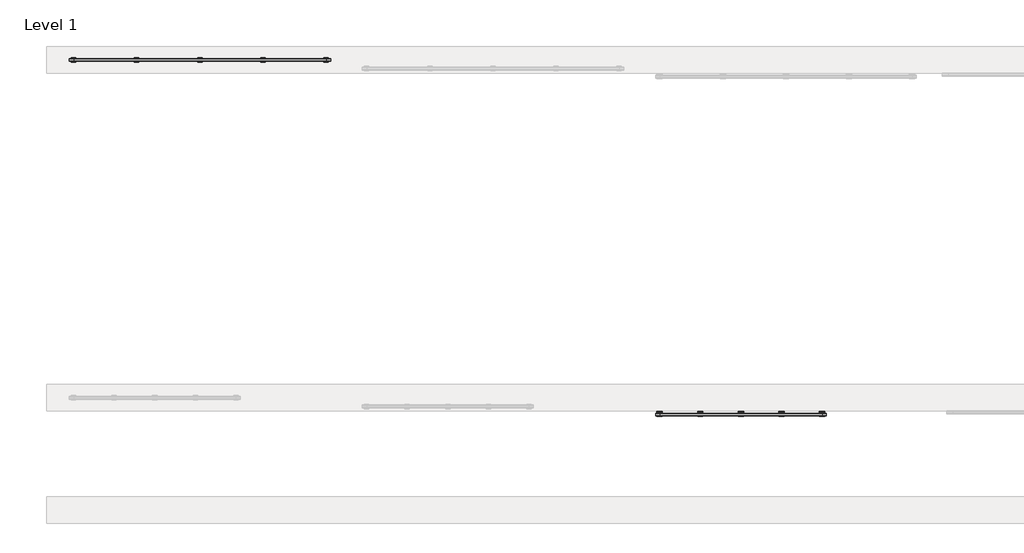
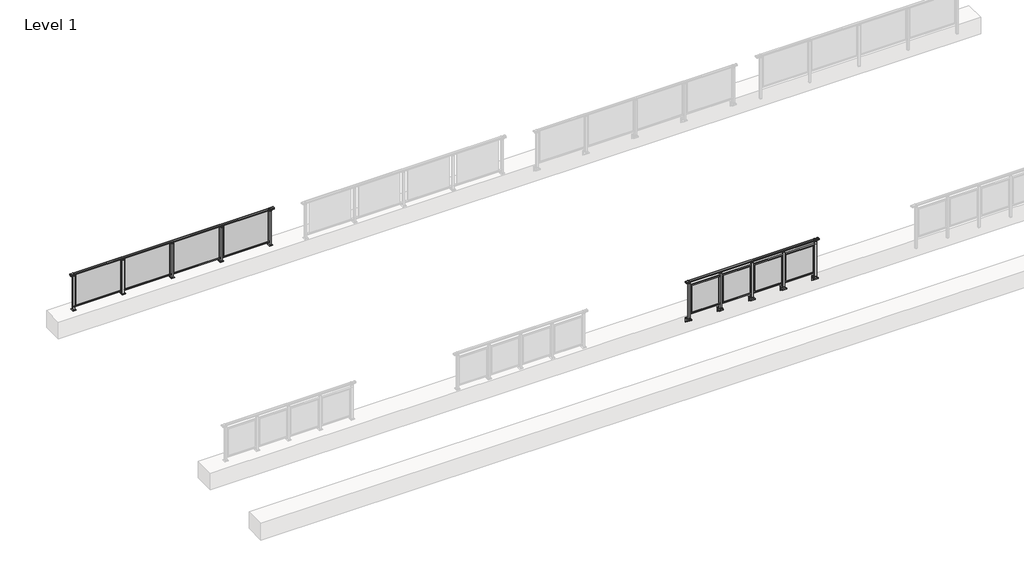
# One storey, part 41 of 64: 2 railings.
"""IFC4 building model written with IfcOpenShell, lengths in millimetres."""

from ifc_helpers import new_model, si_unit, point, frame, frame_2d, origin, origin_with_axes, place, context, project, spatial, polyline, circle_curve, trimmed, segment, composite_curve, outline, extrude, element, save
from ifc_brep_helpers import plane_surface, cylinder_surface, revolved_surface, advanced_brep

model = new_model("IFC4")

# Units and contexts
model_context = context("Model", 3, world=origin())
ifc_project = project(units=[si_unit("LENGTHUNIT", "METRE", prefix="MILLI")], contexts=[model_context])

# Site, building, storey
site = spatial("IfcSite", under=ifc_project)
building = spatial("IfcBuilding", under=site)
storey = spatial("IfcBuildingStorey", under=building, Name="Level 1", Elevation=0.0)

# Railings
placement = place(None, origin())
element("IfcRailing", 1, at=placement, inside=storey, context=model_context, shape_type="SolidModel", body=[
    advanced_brep(
    [(29900.0, 15215.3633756, 1095.6691182), (29900.0, 15220.1846828, 1081.1334092), (29900.0, 15219.2413744, 1069.2539035), (29900.0, 15221.1364177, 1061.4863007), (29900.0, 15219.4894799, 1060.384124), (29900.0, 15219.4894799, 1062.0), (29900.0, 15160.8798858, 1062.0), (29900.0, 15160.8798858, 1060.384124), (29900.0, 15159.232948, 1061.4863007), (29900.0, 15161.1279912, 1069.2539035), (29900.0, 15160.1846828, 1081.1334092), (29900.0, 15165.00599, 1095.6691182), (35700.0, 15215.3633756, 1095.6691182), (35700.0, 15165.00599, 1095.6691182), (35700.0, 15160.1846828, 1081.1334092), (35700.0, 15161.1279912, 1069.2539035), (35700.0, 15159.232948, 1061.4863007), (35700.0, 15160.8798858, 1060.384124), (35700.0, 15160.8798858, 1062.0), (35700.0, 15219.4894799, 1062.0), (35700.0, 15219.4894799, 1060.384124), (35700.0, 15221.1364177, 1061.4863007), (35700.0, 15219.2413744, 1069.2539035), (35700.0, 15220.1846828, 1081.1334092), (30000.0, 15215.3633756, 1095.6691182), (30000.0, 15220.1846828, 1081.1334092), (30000.0, 15219.2413744, 1069.2539035), (30000.0, 15221.1364177, 1061.4863007), (30000.0, 15219.4894799, 1060.384124), (30000.0, 15219.4894799, 1062.0), (30000.0, 15160.8798858, 1062.0), (30000.0, 15160.8798858, 1060.384124), (30000.0, 15159.232948, 1061.4863007), (30000.0, 15161.1279912, 1069.2539035), (30000.0, 15160.1846828, 1081.1334092), (30000.0, 15165.00599, 1095.6691182), (35600.0, 15215.3633756, 1095.6691182), (35600.0, 15220.1846828, 1081.1334092), (35600.0, 15219.2413744, 1069.2539035), (35600.0, 15221.1364177, 1061.4863007), (35600.0, 15219.4894799, 1060.384124), (35600.0, 15219.4894799, 1062.0), (35600.0, 15160.8798858, 1062.0), (35600.0, 15160.8798858, 1060.384124), (35600.0, 15159.232948, 1061.4863007), (35600.0, 15161.1279912, 1069.2539035), (35600.0, 15160.1846828, 1081.1334092), (35600.0, 15165.00599, 1095.6691182)],
    [
        (0, 1, circle_curve(frame((29900.0, 15212.1223845, 1086.526686), z_axis=(-1.0, 0.0, 0.0), x_axis=(0.0, -1.0, 0.0)), 9.6999015)),
        (1, 2, circle_curve(frame((29900.0, 15237.7252545, 1073.7633709), z_axis=(1.0, 0.0, 0.0), x_axis=(0.0, -1.0, 0.0)), 19.0260117)),
        (2, 3),
        (3, 4, circle_curve(frame((29900.0, 15220.2772073, 1060.9886194), z_axis=(-1.0, 0.0, 0.0), x_axis=(0.0, -1.0, 0.0)), 0.9929396)),
        (4, 5),
        (5, 6),
        (6, 7),
        (7, 8, circle_curve(frame((29900.0, 15160.0921584, 1060.9886194), z_axis=(-1.0, 0.0, 0.0), x_axis=(0.0, 1.0, 0.0)), 0.9929396)),
        (8, 9),
        (9, 10, circle_curve(frame((29900.0, 15142.6441111, 1073.7633709), z_axis=(1.0, 0.0, 0.0), x_axis=(0.0, 1.0, 0.0)), 19.0260117)),
        (10, 11, circle_curve(frame((29900.0, 15168.2469812, 1086.526686), z_axis=(-1.0, 0.0, 0.0), x_axis=(0.0, 1.0, 0.0)), 9.6999015)),
        (11, 0, circle_curve(frame((29900.0, 15190.1846828, 1024.6431628), z_axis=(-1.0, 0.0, 0.0), x_axis=(0.0, 1.0, 0.0)), 75.3568372)),
        (12, 13, circle_curve(frame((35700.0, 15190.1846828, 1024.6431628), z_axis=(1.0, 0.0, 0.0), x_axis=(0.0, 1.0, 0.0)), 75.3568372)),
        (13, 14, circle_curve(frame((35700.0, 15168.2469812, 1086.526686), z_axis=(1.0, 0.0, 0.0), x_axis=(0.0, 1.0, 0.0)), 9.6999015)),
        (14, 15, circle_curve(frame((35700.0, 15142.6441111, 1073.7633709), z_axis=(-1.0, 0.0, 0.0), x_axis=(0.0, 1.0, 0.0)), 19.0260117)),
        (15, 16),
        (16, 17, circle_curve(frame((35700.0, 15160.0921584, 1060.9886194), z_axis=(1.0, 0.0, 0.0), x_axis=(0.0, 1.0, 0.0)), 0.9929396)),
        (17, 18),
        (18, 19),
        (19, 20),
        (20, 21, circle_curve(frame((35700.0, 15220.2772073, 1060.9886194), z_axis=(1.0, 0.0, 0.0), x_axis=(0.0, -1.0, 0.0)), 0.9929396)),
        (21, 22),
        (22, 23, circle_curve(frame((35700.0, 15237.7252545, 1073.7633709), z_axis=(-1.0, 0.0, 0.0), x_axis=(0.0, -1.0, 0.0)), 19.0260117)),
        (23, 12, circle_curve(frame((35700.0, 15212.1223845, 1086.526686), z_axis=(1.0, 0.0, 0.0), x_axis=(0.0, -1.0, 0.0)), 9.6999015)),
        (0, 24),
        (24, 25, circle_curve(frame((30000.0, 15212.1223845, 1086.526686), z_axis=(-1.0, 0.0, 0.0), x_axis=(0.0, -1.0, 0.0)), 9.6999015)),
        (25, 1),
        (25, 26, circle_curve(frame((30000.0, 15237.7252545, 1073.7633709), z_axis=(1.0, 0.0, 0.0), x_axis=(0.0, -1.0, 0.0)), 19.0260117)),
        (26, 2),
        (26, 27),
        (27, 3),
        (27, 28, circle_curve(frame((30000.0, 15220.2772073, 1060.9886194), z_axis=(-1.0, 0.0, 0.0), x_axis=(0.0, -1.0, 0.0)), 0.9929396)),
        (28, 4),
        (28, 29),
        (29, 5),
        (29, 30),
        (30, 6),
        (30, 31),
        (31, 7),
        (31, 32, circle_curve(frame((30000.0, 15160.0921584, 1060.9886194), z_axis=(-1.0, 0.0, 0.0), x_axis=(0.0, 1.0, 0.0)), 0.9929396)),
        (32, 8),
        (32, 33),
        (33, 9),
        (33, 34, circle_curve(frame((30000.0, 15142.6441111, 1073.7633709), z_axis=(1.0, 0.0, 0.0), x_axis=(0.0, 1.0, 0.0)), 19.0260117)),
        (34, 10),
        (34, 35, circle_curve(frame((30000.0, 15168.2469812, 1086.526686), z_axis=(-1.0, 0.0, 0.0), x_axis=(0.0, 1.0, 0.0)), 9.6999015)),
        (35, 11),
        (35, 24, circle_curve(frame((30000.0, 15190.1846828, 1024.6431628), z_axis=(-1.0, 0.0, 0.0), x_axis=(0.0, 1.0, 0.0)), 75.3568372)),
        (24, 36),
        (36, 37, circle_curve(frame((35600.0, 15212.1223845, 1086.526686), z_axis=(-1.0, 0.0, 0.0), x_axis=(0.0, -1.0, 0.0)), 9.6999015)),
        (37, 25),
        (37, 38, circle_curve(frame((35600.0, 15237.7252545, 1073.7633709), z_axis=(1.0, 0.0, 0.0), x_axis=(0.0, -1.0, 0.0)), 19.0260117)),
        (38, 26),
        (38, 39),
        (39, 27),
        (39, 40, circle_curve(frame((35600.0, 15220.2772073, 1060.9886194), z_axis=(-1.0, 0.0, 0.0), x_axis=(0.0, -1.0, 0.0)), 0.9929396)),
        (40, 28),
        (40, 41),
        (41, 29),
        (41, 42),
        (42, 30),
        (42, 43),
        (43, 31),
        (43, 44, circle_curve(frame((35600.0, 15160.0921584, 1060.9886194), z_axis=(-1.0, 0.0, 0.0), x_axis=(0.0, 1.0, 0.0)), 0.9929396)),
        (44, 32),
        (44, 45),
        (45, 33),
        (45, 46, circle_curve(frame((35600.0, 15142.6441111, 1073.7633709), z_axis=(1.0, 0.0, 0.0), x_axis=(0.0, 1.0, 0.0)), 19.0260117)),
        (46, 34),
        (46, 47, circle_curve(frame((35600.0, 15168.2469812, 1086.526686), z_axis=(-1.0, 0.0, 0.0), x_axis=(0.0, 1.0, 0.0)), 9.6999015)),
        (47, 35),
        (47, 36, circle_curve(frame((35600.0, 15190.1846828, 1024.6431628), z_axis=(-1.0, 0.0, 0.0), x_axis=(0.0, 1.0, 0.0)), 75.3568372)),
        (36, 12),
        (23, 37),
        (22, 38),
        (21, 39),
        (20, 40),
        (19, 41),
        (18, 42),
        (17, 43),
        (16, 44),
        (15, 45),
        (14, 46),
        (13, 47),
    ],
    [
        plane_surface(frame((29900.0, 15190.1846828, 1100.0), z_axis=(-1.0, 0.0, 0.0), x_axis=(0.0, 1.0, 0.0))),
        plane_surface(frame((35700.0, 15190.1846828, 1100.0), z_axis=(1.0, 0.0, 0.0), x_axis=(0.0, 1.0, 0.0))),
        cylinder_surface(frame((29900.0, 15212.1223845, 1086.526686), z_axis=(-1.0, 0.0, 0.0), x_axis=(0.0, -1.0, 0.0)), 9.6999015),
        revolved_surface(polyline([(30000.0, 15218.6992428, 1073.7633709), (29900.0, 15218.6992428, 1073.7633709)]), (29900.0, 15237.7252545, 1073.7633709), (1.0, 0.0, 0.0)),
        plane_surface(frame((29900.0, 15219.2413744, 1069.2539035), z_axis=(0.0, 0.9715057689301543, 0.2370159086125439), x_axis=(1.0, 0.0, 0.0))),
        cylinder_surface(frame((29900.0, 15220.2772073, 1060.9886194), z_axis=(-1.0, 0.0, 0.0), x_axis=(0.0, -1.0, 0.0)), 0.9929396),
        plane_surface(frame((29900.0, 15219.4894799, 1060.384124), z_axis=(0.0, -1.0, 0.0), x_axis=(1.0, 0.0, 0.0))),
        plane_surface(frame((29900.0, 15219.4894799, 1062.0), z_axis=(0.0, 0.0, -1.0), x_axis=(1.0, 0.0, 0.0))),
        plane_surface(frame((29900.0, 15160.8798858, 1062.0), z_axis=(0.0, 1.0, 0.0), x_axis=(1.0, 0.0, 0.0))),
        cylinder_surface(frame((29900.0, 15160.0921584, 1060.9886194), z_axis=(-1.0, 0.0, 0.0), x_axis=(0.0, 1.0, 0.0)), 0.9929396),
        plane_surface(frame((29900.0, 15159.232948, 1061.4863007), z_axis=(0.0, -0.9715057689301543, 0.2370159086125439), x_axis=(1.0, 0.0, 0.0))),
        revolved_surface(polyline([(30000.0, 15161.6701228, 1073.7633709), (29900.0, 15161.6701228, 1073.7633709)]), (29900.0, 15142.6441111, 1073.7633709), (1.0, 0.0, 0.0)),
        cylinder_surface(frame((29900.0, 15168.2469812, 1086.526686), z_axis=(-1.0, 0.0, 0.0), x_axis=(0.0, 1.0, 0.0)), 9.6999015),
        cylinder_surface(frame((29900.0, 15190.1846828, 1024.6431628), z_axis=(-1.0, 0.0, 0.0), x_axis=(0.0, 1.0, 0.0)), 75.3568372),
        cylinder_surface(frame((30000.0, 15212.1223845, 1086.526686), z_axis=(-1.0, 0.0, 0.0), x_axis=(0.0, -1.0, 0.0)), 9.6999015),
        revolved_surface(polyline([(35600.0, 15218.6992428, 1073.7633709), (30000.0, 15218.6992428, 1073.7633709)]), (30000.0, 15237.7252545, 1073.7633709), (1.0, 0.0, 0.0)),
        plane_surface(frame((30000.0, 15219.2413744, 1069.2539035), z_axis=(0.0, 0.9715057689301543, 0.2370159086125439), x_axis=(1.0, 0.0, 0.0))),
        cylinder_surface(frame((30000.0, 15220.2772073, 1060.9886194), z_axis=(-1.0, 0.0, 0.0), x_axis=(0.0, -1.0, 0.0)), 0.9929396),
        plane_surface(frame((30000.0, 15219.4894799, 1060.384124), z_axis=(0.0, -1.0, 0.0), x_axis=(1.0, 0.0, 0.0))),
        plane_surface(frame((30000.0, 15219.4894799, 1062.0), z_axis=(0.0, 0.0, -1.0), x_axis=(1.0, 0.0, 0.0))),
        plane_surface(frame((30000.0, 15160.8798858, 1062.0), z_axis=(0.0, 1.0, 0.0), x_axis=(1.0, 0.0, 0.0))),
        cylinder_surface(frame((30000.0, 15160.0921584, 1060.9886194), z_axis=(-1.0, 0.0, 0.0), x_axis=(0.0, 1.0, 0.0)), 0.9929396),
        plane_surface(frame((30000.0, 15159.232948, 1061.4863007), z_axis=(0.0, -0.9715057689301543, 0.2370159086125439), x_axis=(1.0, 0.0, 0.0))),
        revolved_surface(polyline([(35600.0, 15161.6701228, 1073.7633709), (30000.0, 15161.6701228, 1073.7633709)]), (30000.0, 15142.6441111, 1073.7633709), (1.0, 0.0, 0.0)),
        cylinder_surface(frame((30000.0, 15168.2469812, 1086.526686), z_axis=(-1.0, 0.0, 0.0), x_axis=(0.0, 1.0, 0.0)), 9.6999015),
        cylinder_surface(frame((30000.0, 15190.1846828, 1024.6431628), z_axis=(-1.0, 0.0, 0.0), x_axis=(0.0, 1.0, 0.0)), 75.3568372),
        cylinder_surface(frame((35600.0, 15212.1223845, 1086.526686), z_axis=(-1.0, 0.0, 0.0), x_axis=(0.0, -1.0, 0.0)), 9.6999015),
        revolved_surface(polyline([(35700.0, 15218.6992428, 1073.7633709), (35600.0, 15218.6992428, 1073.7633709)]), (35600.0, 15237.7252545, 1073.7633709), (1.0, 0.0, 0.0)),
        plane_surface(frame((35600.0, 15219.2413744, 1069.2539035), z_axis=(0.0, 0.9715057689301543, 0.2370159086125439), x_axis=(1.0, 0.0, 0.0))),
        cylinder_surface(frame((35600.0, 15220.2772073, 1060.9886194), z_axis=(-1.0, 0.0, 0.0), x_axis=(0.0, -1.0, 0.0)), 0.9929396),
        plane_surface(frame((35600.0, 15219.4894799, 1060.384124), z_axis=(0.0, -1.0, 0.0), x_axis=(1.0, 0.0, 0.0))),
        plane_surface(frame((35600.0, 15219.4894799, 1062.0), z_axis=(0.0, 0.0, -1.0), x_axis=(1.0, 0.0, 0.0))),
        plane_surface(frame((35600.0, 15160.8798858, 1062.0), z_axis=(0.0, 1.0, 0.0), x_axis=(1.0, 0.0, 0.0))),
        cylinder_surface(frame((35600.0, 15160.0921584, 1060.9886194), z_axis=(-1.0, 0.0, 0.0), x_axis=(0.0, 1.0, 0.0)), 0.9929396),
        plane_surface(frame((35600.0, 15159.232948, 1061.4863007), z_axis=(0.0, -0.9715057689301543, 0.2370159086125439), x_axis=(1.0, 0.0, 0.0))),
        revolved_surface(polyline([(35700.0, 15161.6701228, 1073.7633709), (35600.0, 15161.6701228, 1073.7633709)]), (35600.0, 15142.6441111, 1073.7633709), (1.0, 0.0, 0.0)),
        cylinder_surface(frame((35600.0, 15168.2469812, 1086.526686), z_axis=(-1.0, 0.0, 0.0), x_axis=(0.0, 1.0, 0.0)), 9.6999015),
        cylinder_surface(frame((35600.0, 15190.1846828, 1024.6431628), z_axis=(-1.0, 0.0, 0.0), x_axis=(0.0, 1.0, 0.0)), 75.3568372),
    ],
    [
        (0, [[1, 2, 3, 4, 5, 6, 7, 8, 9, 10, 11, 12]]),
        (1, [[13, 14, 15, 16, 17, 18, 19, 20, 21, 22, 23, 24]]),
        (2, [[-1, 25, 26, 27]]),
        (3, [[-2, -27, 28, 29]]),
        (4, [[-3, -29, 30, 31]]),
        (5, [[-4, -31, 32, 33]]),
        (6, [[-5, -33, 34, 35]]),
        (7, [[-6, -35, 36, 37]]),
        (8, [[-7, -37, 38, 39]]),
        (9, [[-8, -39, 40, 41]]),
        (10, [[-9, -41, 42, 43]]),
        (11, [[-10, -43, 44, 45]]),
        (12, [[-11, -45, 46, 47]]),
        (13, [[-12, -47, 48, -25]]),
        (14, [[-26, 49, 50, 51]]),
        (15, [[-28, -51, 52, 53]]),
        (16, [[-30, -53, 54, 55]]),
        (17, [[-32, -55, 56, 57]]),
        (18, [[-34, -57, 58, 59]]),
        (19, [[-36, -59, 60, 61]]),
        (20, [[-38, -61, 62, 63]]),
        (21, [[-40, -63, 64, 65]]),
        (22, [[-42, -65, 66, 67]]),
        (23, [[-44, -67, 68, 69]]),
        (24, [[-46, -69, 70, 71]]),
        (25, [[-48, -71, 72, -49]]),
        (26, [[-50, 73, -24, 74]]),
        (27, [[-52, -74, -23, 75]]),
        (28, [[-54, -75, -22, 76]]),
        (29, [[-56, -76, -21, 77]]),
        (30, [[-58, -77, -20, 78]]),
        (31, [[-60, -78, -19, 79]]),
        (32, [[-62, -79, -18, 80]]),
        (33, [[-64, -80, -17, 81]]),
        (34, [[-66, -81, -16, 82]]),
        (35, [[-68, -82, -15, 83]]),
        (36, [[-70, -83, -14, 84]]),
        (37, [[-72, -84, -13, -73]]),
    ],
),
    extrude(outline(polyline([(30000.0, 15172.6846828), (30000.0, 15207.6846828), (35600.0, 15207.6846828), (35600.0, 15172.6846828), (30000.0, 15172.6846828)])), frame((0.0, 0.0, 95.0), z_axis=(0.0, 0.0, 1.0), x_axis=(1.0, 0.0, 0.0)), (0.0, 0.0, 1.0), 30.0),
    extrude(outline(polyline([(34272.5, 15191.9598727), (35527.5, 15191.9598727), (35527.5, 15185.9598727), (34272.5, 15185.9598727), (34272.5, 15191.9598727)])), frame((0.0, 0.0, 125.0), z_axis=(0.0, 0.0, 1.0), x_axis=(1.0, 0.0, 0.0)), (0.0, 0.0, 1.0), 930.0),
    extrude(outline(polyline([(34210.0, 15180.1846828), (34190.0, 15180.1846828), (34190.0, 15200.1846828), (34210.0, 15200.1846828), (34210.0, 15180.1846828)])), frame((0.0, 0.0, 1035.0), z_axis=(0.0, 0.0, 1.0), x_axis=(1.0, 0.0, 0.0)), (0.0, 0.0, 1.0), 20.0),
    extrude(outline(polyline([(34222.5, 15167.6846828), (34177.5, 15167.6846828), (34177.5, 15212.6846828), (34222.5, 15212.6846828), (34222.5, 15167.6846828)])), frame((0.0, 0.0, 1027.0), z_axis=(0.0, 0.0, 1.0), x_axis=(1.0, 0.0, 0.0)), (0.0, 0.0, 1.0), 8.0),
    extrude(outline(polyline([(34250.0, 15140.1846828), (34150.0, 15140.1846828), (34150.0, 15240.1846828), (34250.0, 15240.1846828), (34250.0, 15140.1846828)])), origin_with_axes(), (0.0, 0.0, 1.0), 12.0),
    extrude(outline(polyline([(34222.5, 15167.6846828), (34177.5, 15167.6846828), (34177.5, 15212.6846828), (34222.5, 15212.6846828), (34222.5, 15167.6846828)])), frame((0.0, 0.0, 12.0), z_axis=(0.0, 0.0, 1.0), x_axis=(1.0, 0.0, 0.0)), (0.0, 0.0, 1.0), 1015.0),
    extrude(outline(polyline([(32872.5, 15191.9598727), (34127.5, 15191.9598727), (34127.5, 15185.9598727), (32872.5, 15185.9598727), (32872.5, 15191.9598727)])), frame((0.0, 0.0, 125.0), z_axis=(0.0, 0.0, 1.0), x_axis=(1.0, 0.0, 0.0)), (0.0, 0.0, 1.0), 930.0),
    extrude(outline(polyline([(32810.0, 15180.1846828), (32790.0, 15180.1846828), (32790.0, 15200.1846828), (32810.0, 15200.1846828), (32810.0, 15180.1846828)])), frame((0.0, 0.0, 1035.0), z_axis=(0.0, 0.0, 1.0), x_axis=(1.0, 0.0, 0.0)), (0.0, 0.0, 1.0), 20.0),
    extrude(outline(polyline([(32822.5, 15167.6846828), (32777.5, 15167.6846828), (32777.5, 15212.6846828), (32822.5, 15212.6846828), (32822.5, 15167.6846828)])), frame((0.0, 0.0, 1027.0), z_axis=(0.0, 0.0, 1.0), x_axis=(1.0, 0.0, 0.0)), (0.0, 0.0, 1.0), 8.0),
    extrude(outline(polyline([(32850.0, 15140.1846828), (32750.0, 15140.1846828), (32750.0, 15240.1846828), (32850.0, 15240.1846828), (32850.0, 15140.1846828)])), origin_with_axes(), (0.0, 0.0, 1.0), 12.0),
    extrude(outline(polyline([(32822.5, 15167.6846828), (32777.5, 15167.6846828), (32777.5, 15212.6846828), (32822.5, 15212.6846828), (32822.5, 15167.6846828)])), frame((0.0, 0.0, 12.0), z_axis=(0.0, 0.0, 1.0), x_axis=(1.0, 0.0, 0.0)), (0.0, 0.0, 1.0), 1015.0),
    extrude(outline(polyline([(31472.5, 15191.9598727), (32727.5, 15191.9598727), (32727.5, 15185.9598727), (31472.5, 15185.9598727), (31472.5, 15191.9598727)])), frame((0.0, 0.0, 125.0), z_axis=(0.0, 0.0, 1.0), x_axis=(1.0, 0.0, 0.0)), (0.0, 0.0, 1.0), 930.0),
    extrude(outline(polyline([(31410.0, 15180.1846828), (31390.0, 15180.1846828), (31390.0, 15200.1846828), (31410.0, 15200.1846828), (31410.0, 15180.1846828)])), frame((0.0, 0.0, 1035.0), z_axis=(0.0, 0.0, 1.0), x_axis=(1.0, 0.0, 0.0)), (0.0, 0.0, 1.0), 20.0),
    extrude(outline(polyline([(31422.5, 15167.6846828), (31377.5, 15167.6846828), (31377.5, 15212.6846828), (31422.5, 15212.6846828), (31422.5, 15167.6846828)])), frame((0.0, 0.0, 1027.0), z_axis=(0.0, 0.0, 1.0), x_axis=(1.0, 0.0, 0.0)), (0.0, 0.0, 1.0), 8.0),
    extrude(outline(polyline([(31450.0, 15140.1846828), (31350.0, 15140.1846828), (31350.0, 15240.1846828), (31450.0, 15240.1846828), (31450.0, 15140.1846828)])), origin_with_axes(), (0.0, 0.0, 1.0), 12.0),
    extrude(outline(polyline([(31422.5, 15167.6846828), (31377.5, 15167.6846828), (31377.5, 15212.6846828), (31422.5, 15212.6846828), (31422.5, 15167.6846828)])), frame((0.0, 0.0, 12.0), z_axis=(0.0, 0.0, 1.0), x_axis=(1.0, 0.0, 0.0)), (0.0, 0.0, 1.0), 1015.0),
    extrude(outline(polyline([(30072.5, 15191.9598727), (31327.5, 15191.9598727), (31327.5, 15185.9598727), (30072.5, 15185.9598727), (30072.5, 15191.9598727)])), frame((0.0, 0.0, 125.0), z_axis=(0.0, 0.0, 1.0), x_axis=(1.0, 0.0, 0.0)), (0.0, 0.0, 1.0), 930.0),
    extrude(outline(polyline([(35610.0, 15180.1846828), (35590.0, 15180.1846828), (35590.0, 15200.1846828), (35610.0, 15200.1846828), (35610.0, 15180.1846828)])), frame((0.0, 0.0, 1035.0), z_axis=(0.0, 0.0, 1.0), x_axis=(1.0, 0.0, 0.0)), (0.0, 0.0, 1.0), 20.0),
    extrude(outline(polyline([(35622.5, 15167.6846828), (35577.5, 15167.6846828), (35577.5, 15212.6846828), (35622.5, 15212.6846828), (35622.5, 15167.6846828)])), frame((0.0, 0.0, 1027.0), z_axis=(0.0, 0.0, 1.0), x_axis=(1.0, 0.0, 0.0)), (0.0, 0.0, 1.0), 8.0),
    extrude(outline(polyline([(35650.0, 15140.1846828), (35550.0, 15140.1846828), (35550.0, 15240.1846828), (35650.0, 15240.1846828), (35650.0, 15140.1846828)])), origin_with_axes(), (0.0, 0.0, 1.0), 12.0),
    extrude(outline(polyline([(35622.5, 15167.6846828), (35577.5, 15167.6846828), (35577.5, 15212.6846828), (35622.5, 15212.6846828), (35622.5, 15167.6846828)])), frame((0.0, 0.0, 12.0), z_axis=(0.0, 0.0, 1.0), x_axis=(1.0, 0.0, 0.0)), (0.0, 0.0, 1.0), 1015.0),
    extrude(outline(polyline([(30010.0, 15180.1846828), (29990.0, 15180.1846828), (29990.0, 15200.1846828), (30010.0, 15200.1846828), (30010.0, 15180.1846828)])), frame((0.0, 0.0, 1035.0), z_axis=(0.0, 0.0, 1.0), x_axis=(1.0, 0.0, 0.0)), (0.0, 0.0, 1.0), 20.0),
    extrude(outline(polyline([(30022.5, 15167.6846828), (29977.5, 15167.6846828), (29977.5, 15212.6846828), (30022.5, 15212.6846828), (30022.5, 15167.6846828)])), frame((0.0, 0.0, 1027.0), z_axis=(0.0, 0.0, 1.0), x_axis=(1.0, 0.0, 0.0)), (0.0, 0.0, 1.0), 8.0),
    extrude(outline(polyline([(30050.0, 15140.1846828), (29950.0, 15140.1846828), (29950.0, 15240.1846828), (30050.0, 15240.1846828), (30050.0, 15140.1846828)])), origin_with_axes(), (0.0, 0.0, 1.0), 12.0),
    extrude(outline(polyline([(30022.5, 15167.6846828), (29977.5, 15167.6846828), (29977.5, 15212.6846828), (30022.5, 15212.6846828), (30022.5, 15167.6846828)])), frame((0.0, 0.0, 12.0), z_axis=(0.0, 0.0, 1.0), x_axis=(1.0, 0.0, 0.0)), (0.0, 0.0, 1.0), 1015.0),
])
element("IfcRailing", 2, at=placement, inside=storey, context=model_context, shape_type="SolidModel", body=[
    advanced_brep(
    [(42910.0, 7342.8633756, 1095.6691182), (42910.0, 7347.6846828, 1081.1334092), (42910.0, 7346.7413744, 1069.2539035), (42910.0, 7348.6364177, 1061.4863007), (42910.0, 7346.9894799, 1060.384124), (42910.0, 7346.9894799, 1062.0), (42910.0, 7288.3798858, 1062.0), (42910.0, 7288.3798858, 1060.384124), (42910.0, 7286.732948, 1061.4863007), (42910.0, 7288.6279912, 1069.2539035), (42910.0, 7287.6846828, 1081.1334092), (42910.0, 7292.50599, 1095.6691182), (46690.0, 7342.8633756, 1095.6691182), (46690.0, 7292.50599, 1095.6691182), (46690.0, 7287.6846828, 1081.1334092), (46690.0, 7288.6279912, 1069.2539035), (46690.0, 7286.732948, 1061.4863007), (46690.0, 7288.3798858, 1060.384124), (46690.0, 7288.3798858, 1062.0), (46690.0, 7346.9894799, 1062.0), (46690.0, 7346.9894799, 1060.384124), (46690.0, 7348.6364177, 1061.4863007), (46690.0, 7346.7413744, 1069.2539035), (46690.0, 7347.6846828, 1081.1334092), (43000.0, 7342.8633756, 1095.6691182), (43000.0, 7347.6846828, 1081.1334092), (43000.0, 7346.7413744, 1069.2539035), (43000.0, 7348.6364177, 1061.4863007), (43000.0, 7346.9894799, 1060.384124), (43000.0, 7346.9894799, 1062.0), (43000.0, 7288.3798858, 1062.0), (43000.0, 7288.3798858, 1060.384124), (43000.0, 7286.732948, 1061.4863007), (43000.0, 7288.6279912, 1069.2539035), (43000.0, 7287.6846828, 1081.1334092), (43000.0, 7292.50599, 1095.6691182), (46600.0, 7342.8633756, 1095.6691182), (46600.0, 7347.6846828, 1081.1334092), (46600.0, 7346.7413744, 1069.2539035), (46600.0, 7348.6364177, 1061.4863007), (46600.0, 7346.9894799, 1060.384124), (46600.0, 7346.9894799, 1062.0), (46600.0, 7288.3798858, 1062.0), (46600.0, 7288.3798858, 1060.384124), (46600.0, 7286.732948, 1061.4863007), (46600.0, 7288.6279912, 1069.2539035), (46600.0, 7287.6846828, 1081.1334092), (46600.0, 7292.50599, 1095.6691182)],
    [
        (0, 1, circle_curve(frame((42910.0, 7339.6223845, 1086.526686), z_axis=(-1.0, 0.0, 0.0), x_axis=(0.0, -1.0, 0.0)), 9.6999015)),
        (1, 2, circle_curve(frame((42910.0, 7365.2252545, 1073.7633709), z_axis=(1.0, 0.0, 0.0), x_axis=(0.0, -1.0, 0.0)), 19.0260117)),
        (2, 3),
        (3, 4, circle_curve(frame((42910.0, 7347.7772073, 1060.9886194), z_axis=(-1.0, 0.0, 0.0), x_axis=(0.0, -1.0, 0.0)), 0.9929396)),
        (4, 5),
        (5, 6),
        (6, 7),
        (7, 8, circle_curve(frame((42910.0, 7287.5921584, 1060.9886194), z_axis=(-1.0, 0.0, 0.0), x_axis=(0.0, 1.0, 0.0)), 0.9929396)),
        (8, 9),
        (9, 10, circle_curve(frame((42910.0, 7270.1441111, 1073.7633709), z_axis=(1.0, 0.0, 0.0), x_axis=(0.0, 1.0, 0.0)), 19.0260117)),
        (10, 11, circle_curve(frame((42910.0, 7295.7469812, 1086.526686), z_axis=(-1.0, 0.0, 0.0), x_axis=(0.0, 1.0, 0.0)), 9.6999015)),
        (11, 0, circle_curve(frame((42910.0, 7317.6846828, 1024.6431628), z_axis=(-1.0, 0.0, 0.0), x_axis=(0.0, 1.0, 0.0)), 75.3568372)),
        (12, 13, circle_curve(frame((46690.0, 7317.6846828, 1024.6431628), z_axis=(1.0, 0.0, 0.0), x_axis=(0.0, 1.0, 0.0)), 75.3568372)),
        (13, 14, circle_curve(frame((46690.0, 7295.7469812, 1086.526686), z_axis=(1.0, 0.0, 0.0), x_axis=(0.0, 1.0, 0.0)), 9.6999015)),
        (14, 15, circle_curve(frame((46690.0, 7270.1441111, 1073.7633709), z_axis=(-1.0, 0.0, 0.0), x_axis=(0.0, 1.0, 0.0)), 19.0260117)),
        (15, 16),
        (16, 17, circle_curve(frame((46690.0, 7287.5921584, 1060.9886194), z_axis=(1.0, 0.0, 0.0), x_axis=(0.0, 1.0, 0.0)), 0.9929396)),
        (17, 18),
        (18, 19),
        (19, 20),
        (20, 21, circle_curve(frame((46690.0, 7347.7772073, 1060.9886194), z_axis=(1.0, 0.0, 0.0), x_axis=(0.0, -1.0, 0.0)), 0.9929396)),
        (21, 22),
        (22, 23, circle_curve(frame((46690.0, 7365.2252545, 1073.7633709), z_axis=(-1.0, 0.0, 0.0), x_axis=(0.0, -1.0, 0.0)), 19.0260117)),
        (23, 12, circle_curve(frame((46690.0, 7339.6223845, 1086.526686), z_axis=(1.0, 0.0, 0.0), x_axis=(0.0, -1.0, 0.0)), 9.6999015)),
        (0, 24),
        (24, 25, circle_curve(frame((43000.0, 7339.6223845, 1086.526686), z_axis=(-1.0, 0.0, 0.0), x_axis=(0.0, -1.0, 0.0)), 9.6999015)),
        (25, 1),
        (25, 26, circle_curve(frame((43000.0, 7365.2252545, 1073.7633709), z_axis=(1.0, 0.0, 0.0), x_axis=(0.0, -1.0, 0.0)), 19.0260117)),
        (26, 2),
        (26, 27),
        (27, 3),
        (27, 28, circle_curve(frame((43000.0, 7347.7772073, 1060.9886194), z_axis=(-1.0, 0.0, 0.0), x_axis=(0.0, -1.0, 0.0)), 0.9929396)),
        (28, 4),
        (28, 29),
        (29, 5),
        (29, 30),
        (30, 6),
        (30, 31),
        (31, 7),
        (31, 32, circle_curve(frame((43000.0, 7287.5921584, 1060.9886194), z_axis=(-1.0, 0.0, 0.0), x_axis=(0.0, 1.0, 0.0)), 0.9929396)),
        (32, 8),
        (32, 33),
        (33, 9),
        (33, 34, circle_curve(frame((43000.0, 7270.1441111, 1073.7633709), z_axis=(1.0, 0.0, 0.0), x_axis=(0.0, 1.0, 0.0)), 19.0260117)),
        (34, 10),
        (34, 35, circle_curve(frame((43000.0, 7295.7469812, 1086.526686), z_axis=(-1.0, 0.0, 0.0), x_axis=(0.0, 1.0, 0.0)), 9.6999015)),
        (35, 11),
        (35, 24, circle_curve(frame((43000.0, 7317.6846828, 1024.6431628), z_axis=(-1.0, 0.0, 0.0), x_axis=(0.0, 1.0, 0.0)), 75.3568372)),
        (24, 36),
        (36, 37, circle_curve(frame((46600.0, 7339.6223845, 1086.526686), z_axis=(-1.0, 0.0, 0.0), x_axis=(0.0, -1.0, 0.0)), 9.6999015)),
        (37, 25),
        (37, 38, circle_curve(frame((46600.0, 7365.2252545, 1073.7633709), z_axis=(1.0, 0.0, 0.0), x_axis=(0.0, -1.0, 0.0)), 19.0260117)),
        (38, 26),
        (38, 39),
        (39, 27),
        (39, 40, circle_curve(frame((46600.0, 7347.7772073, 1060.9886194), z_axis=(-1.0, 0.0, 0.0), x_axis=(0.0, -1.0, 0.0)), 0.9929396)),
        (40, 28),
        (40, 41),
        (41, 29),
        (41, 42),
        (42, 30),
        (42, 43),
        (43, 31),
        (43, 44, circle_curve(frame((46600.0, 7287.5921584, 1060.9886194), z_axis=(-1.0, 0.0, 0.0), x_axis=(0.0, 1.0, 0.0)), 0.9929396)),
        (44, 32),
        (44, 45),
        (45, 33),
        (45, 46, circle_curve(frame((46600.0, 7270.1441111, 1073.7633709), z_axis=(1.0, 0.0, 0.0), x_axis=(0.0, 1.0, 0.0)), 19.0260117)),
        (46, 34),
        (46, 47, circle_curve(frame((46600.0, 7295.7469812, 1086.526686), z_axis=(-1.0, 0.0, 0.0), x_axis=(0.0, 1.0, 0.0)), 9.6999015)),
        (47, 35),
        (47, 36, circle_curve(frame((46600.0, 7317.6846828, 1024.6431628), z_axis=(-1.0, 0.0, 0.0), x_axis=(0.0, 1.0, 0.0)), 75.3568372)),
        (36, 12),
        (23, 37),
        (22, 38),
        (21, 39),
        (20, 40),
        (19, 41),
        (18, 42),
        (17, 43),
        (16, 44),
        (15, 45),
        (14, 46),
        (13, 47),
    ],
    [
        plane_surface(frame((42910.0, 7317.6846828, 1100.0), z_axis=(-1.0, 0.0, 0.0), x_axis=(0.0, 1.0, 0.0))),
        plane_surface(frame((46690.0, 7317.6846828, 1100.0), z_axis=(1.0, 0.0, 0.0), x_axis=(0.0, 1.0, 0.0))),
        cylinder_surface(frame((42910.0, 7339.6223845, 1086.526686), z_axis=(-1.0, 0.0, 0.0), x_axis=(0.0, -1.0, 0.0)), 9.6999015),
        revolved_surface(polyline([(43000.0, 7346.1992428, 1073.7633709), (42910.0, 7346.1992428, 1073.7633709)]), (42910.0, 7365.2252545, 1073.7633709), (1.0, 0.0, 0.0)),
        plane_surface(frame((42910.0, 7346.7413744, 1069.2539035), z_axis=(0.0, 0.9715057689301543, 0.2370159086125439), x_axis=(1.0, 0.0, 0.0))),
        cylinder_surface(frame((42910.0, 7347.7772073, 1060.9886194), z_axis=(-1.0, 0.0, 0.0), x_axis=(0.0, -1.0, 0.0)), 0.9929396),
        plane_surface(frame((42910.0, 7346.9894799, 1060.384124), z_axis=(0.0, -1.0, 0.0), x_axis=(1.0, 0.0, 0.0))),
        plane_surface(frame((42910.0, 7346.9894799, 1062.0), z_axis=(0.0, 0.0, -1.0), x_axis=(1.0, 0.0, 0.0))),
        plane_surface(frame((42910.0, 7288.3798858, 1062.0), z_axis=(0.0, 1.0, 0.0), x_axis=(1.0, 0.0, 0.0))),
        cylinder_surface(frame((42910.0, 7287.5921584, 1060.9886194), z_axis=(-1.0, 0.0, 0.0), x_axis=(0.0, 1.0, 0.0)), 0.9929396),
        plane_surface(frame((42910.0, 7286.732948, 1061.4863007), z_axis=(0.0, -0.9715057689301543, 0.2370159086125439), x_axis=(1.0, 0.0, 0.0))),
        revolved_surface(polyline([(43000.0, 7289.1701228, 1073.7633709), (42910.0, 7289.1701228, 1073.7633709)]), (42910.0, 7270.1441111, 1073.7633709), (1.0, 0.0, 0.0)),
        cylinder_surface(frame((42910.0, 7295.7469812, 1086.526686), z_axis=(-1.0, 0.0, 0.0), x_axis=(0.0, 1.0, 0.0)), 9.6999015),
        cylinder_surface(frame((42910.0, 7317.6846828, 1024.6431628), z_axis=(-1.0, 0.0, 0.0), x_axis=(0.0, 1.0, 0.0)), 75.3568372),
        cylinder_surface(frame((43000.0, 7339.6223845, 1086.526686), z_axis=(-1.0, 0.0, 0.0), x_axis=(0.0, -1.0, 0.0)), 9.6999015),
        revolved_surface(polyline([(46600.0, 7346.1992428, 1073.7633709), (43000.0, 7346.1992428, 1073.7633709)]), (43000.0, 7365.2252545, 1073.7633709), (1.0, 0.0, 0.0)),
        plane_surface(frame((43000.0, 7346.7413744, 1069.2539035), z_axis=(0.0, 0.9715057689301543, 0.2370159086125439), x_axis=(1.0, 0.0, 0.0))),
        cylinder_surface(frame((43000.0, 7347.7772073, 1060.9886194), z_axis=(-1.0, 0.0, 0.0), x_axis=(0.0, -1.0, 0.0)), 0.9929396),
        plane_surface(frame((43000.0, 7346.9894799, 1060.384124), z_axis=(0.0, -1.0, 0.0), x_axis=(1.0, 0.0, 0.0))),
        plane_surface(frame((43000.0, 7346.9894799, 1062.0), z_axis=(0.0, 0.0, -1.0), x_axis=(1.0, 0.0, 0.0))),
        plane_surface(frame((43000.0, 7288.3798858, 1062.0), z_axis=(0.0, 1.0, 0.0), x_axis=(1.0, 0.0, 0.0))),
        cylinder_surface(frame((43000.0, 7287.5921584, 1060.9886194), z_axis=(-1.0, 0.0, 0.0), x_axis=(0.0, 1.0, 0.0)), 0.9929396),
        plane_surface(frame((43000.0, 7286.732948, 1061.4863007), z_axis=(0.0, -0.9715057689301543, 0.2370159086125439), x_axis=(1.0, 0.0, 0.0))),
        revolved_surface(polyline([(46600.0, 7289.1701228, 1073.7633709), (43000.0, 7289.1701228, 1073.7633709)]), (43000.0, 7270.1441111, 1073.7633709), (1.0, 0.0, 0.0)),
        cylinder_surface(frame((43000.0, 7295.7469812, 1086.526686), z_axis=(-1.0, 0.0, 0.0), x_axis=(0.0, 1.0, 0.0)), 9.6999015),
        cylinder_surface(frame((43000.0, 7317.6846828, 1024.6431628), z_axis=(-1.0, 0.0, 0.0), x_axis=(0.0, 1.0, 0.0)), 75.3568372),
        cylinder_surface(frame((46600.0, 7339.6223845, 1086.526686), z_axis=(-1.0, 0.0, 0.0), x_axis=(0.0, -1.0, 0.0)), 9.6999015),
        revolved_surface(polyline([(46690.0, 7346.1992428, 1073.7633709), (46600.0, 7346.1992428, 1073.7633709)]), (46600.0, 7365.2252545, 1073.7633709), (1.0, 0.0, 0.0)),
        plane_surface(frame((46600.0, 7346.7413744, 1069.2539035), z_axis=(0.0, 0.9715057689301543, 0.2370159086125439), x_axis=(1.0, 0.0, 0.0))),
        cylinder_surface(frame((46600.0, 7347.7772073, 1060.9886194), z_axis=(-1.0, 0.0, 0.0), x_axis=(0.0, -1.0, 0.0)), 0.9929396),
        plane_surface(frame((46600.0, 7346.9894799, 1060.384124), z_axis=(0.0, -1.0, 0.0), x_axis=(1.0, 0.0, 0.0))),
        plane_surface(frame((46600.0, 7346.9894799, 1062.0), z_axis=(0.0, 0.0, -1.0), x_axis=(1.0, 0.0, 0.0))),
        plane_surface(frame((46600.0, 7288.3798858, 1062.0), z_axis=(0.0, 1.0, 0.0), x_axis=(1.0, 0.0, 0.0))),
        cylinder_surface(frame((46600.0, 7287.5921584, 1060.9886194), z_axis=(-1.0, 0.0, 0.0), x_axis=(0.0, 1.0, 0.0)), 0.9929396),
        plane_surface(frame((46600.0, 7286.732948, 1061.4863007), z_axis=(0.0, -0.9715057689301543, 0.2370159086125439), x_axis=(1.0, 0.0, 0.0))),
        revolved_surface(polyline([(46690.0, 7289.1701228, 1073.7633709), (46600.0, 7289.1701228, 1073.7633709)]), (46600.0, 7270.1441111, 1073.7633709), (1.0, 0.0, 0.0)),
        cylinder_surface(frame((46600.0, 7295.7469812, 1086.526686), z_axis=(-1.0, 0.0, 0.0), x_axis=(0.0, 1.0, 0.0)), 9.6999015),
        cylinder_surface(frame((46600.0, 7317.6846828, 1024.6431628), z_axis=(-1.0, 0.0, 0.0), x_axis=(0.0, 1.0, 0.0)), 75.3568372),
    ],
    [
        (0, [[1, 2, 3, 4, 5, 6, 7, 8, 9, 10, 11, 12]]),
        (1, [[13, 14, 15, 16, 17, 18, 19, 20, 21, 22, 23, 24]]),
        (2, [[-1, 25, 26, 27]]),
        (3, [[-2, -27, 28, 29]]),
        (4, [[-3, -29, 30, 31]]),
        (5, [[-4, -31, 32, 33]]),
        (6, [[-5, -33, 34, 35]]),
        (7, [[-6, -35, 36, 37]]),
        (8, [[-7, -37, 38, 39]]),
        (9, [[-8, -39, 40, 41]]),
        (10, [[-9, -41, 42, 43]]),
        (11, [[-10, -43, 44, 45]]),
        (12, [[-11, -45, 46, 47]]),
        (13, [[-12, -47, 48, -25]]),
        (14, [[-26, 49, 50, 51]]),
        (15, [[-28, -51, 52, 53]]),
        (16, [[-30, -53, 54, 55]]),
        (17, [[-32, -55, 56, 57]]),
        (18, [[-34, -57, 58, 59]]),
        (19, [[-36, -59, 60, 61]]),
        (20, [[-38, -61, 62, 63]]),
        (21, [[-40, -63, 64, 65]]),
        (22, [[-42, -65, 66, 67]]),
        (23, [[-44, -67, 68, 69]]),
        (24, [[-46, -69, 70, 71]]),
        (25, [[-48, -71, 72, -49]]),
        (26, [[-50, 73, -24, 74]]),
        (27, [[-52, -74, -23, 75]]),
        (28, [[-54, -75, -22, 76]]),
        (29, [[-56, -76, -21, 77]]),
        (30, [[-58, -77, -20, 78]]),
        (31, [[-60, -78, -19, 79]]),
        (32, [[-62, -79, -18, 80]]),
        (33, [[-64, -80, -17, 81]]),
        (34, [[-66, -81, -16, 82]]),
        (35, [[-68, -82, -15, 83]]),
        (36, [[-70, -83, -14, 84]]),
        (37, [[-72, -84, -13, -73]]),
    ],
),
    extrude(outline(polyline([(43000.0, 7300.1846828), (43000.0, 7335.1846828), (46600.0, 7335.1846828), (46600.0, 7300.1846828), (43000.0, 7300.1846828)])), frame((0.0, 0.0, 930.0), z_axis=(0.0, 0.0, 1.0), x_axis=(1.0, 0.0, 0.0)), (0.0, 0.0, 1.0), 30.0),
    extrude(outline(polyline([(43000.0, 7300.1846828), (43000.0, 7335.1846828), (46600.0, 7335.1846828), (46600.0, 7300.1846828), (43000.0, 7300.1846828)])), frame((0.0, 0.0, 95.0), z_axis=(0.0, 0.0, 1.0), x_axis=(1.0, 0.0, 0.0)), (0.0, 0.0, 1.0), 30.0),
    extrude(outline(polyline([(45772.5, 7315.9094929), (45772.5, 7321.9094929), (46527.5, 7321.9094929), (46527.5, 7315.9094929), (45772.5, 7315.9094929)])), frame((0.0, 0.0, 125.0), z_axis=(0.0, 0.0, 1.0), x_axis=(1.0, 0.0, 0.0)), (0.0, 0.0, 1.0), 805.0),
    extrude(outline(composite_curve([segment(polyline([(7350.1846828, -70.0), (7384.1846828, -63.0), (7384.1846828, -32.5), (7400.1846828, -32.5), (7400.1846828, -167.5), (7384.1846828, -167.5), (7384.1846828, -113.5)]), True, "CONTINUOUS"), segment(trimmed(circle_curve(frame_2d((7364.1846828, -113.5)), 20.0), [point((7384.1846828, -113.5))], [point((7364.1846828, -93.5))], True, "CARTESIAN"), True, "CONTINUOUS"), segment(polyline([(7364.1846828, -93.5), (7280.1846828, -93.5), (7280.1846828, -70.0), (7350.1846828, -70.0)]), True, "CONTINUOUS")], self_intersect=False)), frame((45640.0, 0.0, 0.0), z_axis=(1.0, 0.0, 0.0), x_axis=(0.0, 1.0, 0.0)), (0.0, 0.0, 1.0), 120.0),
    extrude(outline(polyline([(45722.5, 7340.1846828), (45722.5, 7295.1846828), (45677.5, 7295.1846828), (45677.5, 7340.1846828), (45722.5, 7340.1846828)])), frame((0.0, 0.0, -70.0), z_axis=(0.0, 0.0, 1.0), x_axis=(1.0, 0.0, 0.0)), (0.0, 0.0, 1.0), 1097.0),
    extrude(outline(polyline([(45710.0, 7327.6846828), (45710.0, 7307.6846828), (45690.0, 7307.6846828), (45690.0, 7327.6846828), (45710.0, 7327.6846828)])), frame((0.0, 0.0, 1035.0), z_axis=(0.0, 0.0, 1.0), x_axis=(1.0, 0.0, 0.0)), (0.0, 0.0, 1.0), 20.0),
    extrude(outline(polyline([(45722.5, 7340.1846828), (45722.5, 7295.1846828), (45677.5, 7295.1846828), (45677.5, 7340.1846828), (45722.5, 7340.1846828)])), frame((0.0, 0.0, 1027.0), z_axis=(0.0, 0.0, 1.0), x_axis=(1.0, 0.0, 0.0)), (0.0, 0.0, 1.0), 8.0),
    extrude(outline(polyline([(44872.5, 7315.9094929), (44872.5, 7321.9094929), (45627.5, 7321.9094929), (45627.5, 7315.9094929), (44872.5, 7315.9094929)])), frame((0.0, 0.0, 125.0), z_axis=(0.0, 0.0, 1.0), x_axis=(1.0, 0.0, 0.0)), (0.0, 0.0, 1.0), 805.0),
    extrude(outline(composite_curve([segment(polyline([(7350.1846828, -70.0), (7384.1846828, -63.0), (7384.1846828, -32.5), (7400.1846828, -32.5), (7400.1846828, -167.5), (7384.1846828, -167.5), (7384.1846828, -113.5)]), True, "CONTINUOUS"), segment(trimmed(circle_curve(frame_2d((7364.1846828, -113.5)), 20.0), [point((7384.1846828, -113.5))], [point((7364.1846828, -93.5))], True, "CARTESIAN"), True, "CONTINUOUS"), segment(polyline([(7364.1846828, -93.5), (7280.1846828, -93.5), (7280.1846828, -70.0), (7350.1846828, -70.0)]), True, "CONTINUOUS")], self_intersect=False)), frame((44740.0, 0.0, 0.0), z_axis=(1.0, 0.0, 0.0), x_axis=(0.0, 1.0, 0.0)), (0.0, 0.0, 1.0), 120.0),
    extrude(outline(polyline([(44822.5, 7340.1846828), (44822.5, 7295.1846828), (44777.5, 7295.1846828), (44777.5, 7340.1846828), (44822.5, 7340.1846828)])), frame((0.0, 0.0, -70.0), z_axis=(0.0, 0.0, 1.0), x_axis=(1.0, 0.0, 0.0)), (0.0, 0.0, 1.0), 1097.0),
    extrude(outline(polyline([(44810.0, 7327.6846828), (44810.0, 7307.6846828), (44790.0, 7307.6846828), (44790.0, 7327.6846828), (44810.0, 7327.6846828)])), frame((0.0, 0.0, 1035.0), z_axis=(0.0, 0.0, 1.0), x_axis=(1.0, 0.0, 0.0)), (0.0, 0.0, 1.0), 20.0),
    extrude(outline(polyline([(44822.5, 7340.1846828), (44822.5, 7295.1846828), (44777.5, 7295.1846828), (44777.5, 7340.1846828), (44822.5, 7340.1846828)])), frame((0.0, 0.0, 1027.0), z_axis=(0.0, 0.0, 1.0), x_axis=(1.0, 0.0, 0.0)), (0.0, 0.0, 1.0), 8.0),
    extrude(outline(polyline([(43972.5, 7315.9094929), (43972.5, 7321.9094929), (44727.5, 7321.9094929), (44727.5, 7315.9094929), (43972.5, 7315.9094929)])), frame((0.0, 0.0, 125.0), z_axis=(0.0, 0.0, 1.0), x_axis=(1.0, 0.0, 0.0)), (0.0, 0.0, 1.0), 805.0),
    extrude(outline(composite_curve([segment(polyline([(7350.1846828, -70.0), (7384.1846828, -63.0), (7384.1846828, -32.5), (7400.1846828, -32.5), (7400.1846828, -167.5), (7384.1846828, -167.5), (7384.1846828, -113.5)]), True, "CONTINUOUS"), segment(trimmed(circle_curve(frame_2d((7364.1846828, -113.5)), 20.0), [point((7384.1846828, -113.5))], [point((7364.1846828, -93.5))], True, "CARTESIAN"), True, "CONTINUOUS"), segment(polyline([(7364.1846828, -93.5), (7280.1846828, -93.5), (7280.1846828, -70.0), (7350.1846828, -70.0)]), True, "CONTINUOUS")], self_intersect=False)), frame((43840.0, 0.0, 0.0), z_axis=(1.0, 0.0, 0.0), x_axis=(0.0, 1.0, 0.0)), (0.0, 0.0, 1.0), 120.0),
    extrude(outline(polyline([(43922.5, 7340.1846828), (43922.5, 7295.1846828), (43877.5, 7295.1846828), (43877.5, 7340.1846828), (43922.5, 7340.1846828)])), frame((0.0, 0.0, -70.0), z_axis=(0.0, 0.0, 1.0), x_axis=(1.0, 0.0, 0.0)), (0.0, 0.0, 1.0), 1097.0),
    extrude(outline(polyline([(43910.0, 7327.6846828), (43910.0, 7307.6846828), (43890.0, 7307.6846828), (43890.0, 7327.6846828), (43910.0, 7327.6846828)])), frame((0.0, 0.0, 1035.0), z_axis=(0.0, 0.0, 1.0), x_axis=(1.0, 0.0, 0.0)), (0.0, 0.0, 1.0), 20.0),
    extrude(outline(polyline([(43922.5, 7340.1846828), (43922.5, 7295.1846828), (43877.5, 7295.1846828), (43877.5, 7340.1846828), (43922.5, 7340.1846828)])), frame((0.0, 0.0, 1027.0), z_axis=(0.0, 0.0, 1.0), x_axis=(1.0, 0.0, 0.0)), (0.0, 0.0, 1.0), 8.0),
    extrude(outline(polyline([(43072.5, 7315.9094929), (43072.5, 7321.9094929), (43827.5, 7321.9094929), (43827.5, 7315.9094929), (43072.5, 7315.9094929)])), frame((0.0, 0.0, 125.0), z_axis=(0.0, 0.0, 1.0), x_axis=(1.0, 0.0, 0.0)), (0.0, 0.0, 1.0), 805.0),
    extrude(outline(composite_curve([segment(polyline([(7350.1846828, -70.0), (7384.1846828, -63.0), (7384.1846828, -32.5), (7400.1846828, -32.5), (7400.1846828, -167.5), (7384.1846828, -167.5), (7384.1846828, -113.5)]), True, "CONTINUOUS"), segment(trimmed(circle_curve(frame_2d((7364.1846828, -113.5)), 20.0), [point((7384.1846828, -113.5))], [point((7364.1846828, -93.5))], True, "CARTESIAN"), True, "CONTINUOUS"), segment(polyline([(7364.1846828, -93.5), (7280.1846828, -93.5), (7280.1846828, -70.0), (7350.1846828, -70.0)]), True, "CONTINUOUS")], self_intersect=False)), frame((46540.0, 0.0, 0.0), z_axis=(1.0, 0.0, 0.0), x_axis=(0.0, 1.0, 0.0)), (0.0, 0.0, 1.0), 120.0),
    extrude(outline(polyline([(46622.5, 7340.1846828), (46622.5, 7295.1846828), (46577.5, 7295.1846828), (46577.5, 7340.1846828), (46622.5, 7340.1846828)])), frame((0.0, 0.0, -70.0), z_axis=(0.0, 0.0, 1.0), x_axis=(1.0, 0.0, 0.0)), (0.0, 0.0, 1.0), 1097.0),
    extrude(outline(polyline([(46610.0, 7327.6846828), (46610.0, 7307.6846828), (46590.0, 7307.6846828), (46590.0, 7327.6846828), (46610.0, 7327.6846828)])), frame((0.0, 0.0, 1035.0), z_axis=(0.0, 0.0, 1.0), x_axis=(1.0, 0.0, 0.0)), (0.0, 0.0, 1.0), 20.0),
    extrude(outline(polyline([(46622.5, 7340.1846828), (46622.5, 7295.1846828), (46577.5, 7295.1846828), (46577.5, 7340.1846828), (46622.5, 7340.1846828)])), frame((0.0, 0.0, 1027.0), z_axis=(0.0, 0.0, 1.0), x_axis=(1.0, 0.0, 0.0)), (0.0, 0.0, 1.0), 8.0),
    extrude(outline(composite_curve([segment(polyline([(7350.1846828, -70.0), (7384.1846828, -63.0), (7384.1846828, -32.5), (7400.1846828, -32.5), (7400.1846828, -167.5), (7384.1846828, -167.5), (7384.1846828, -113.5)]), True, "CONTINUOUS"), segment(trimmed(circle_curve(frame_2d((7364.1846828, -113.5)), 20.0), [point((7384.1846828, -113.5))], [point((7364.1846828, -93.5))], True, "CARTESIAN"), True, "CONTINUOUS"), segment(polyline([(7364.1846828, -93.5), (7280.1846828, -93.5), (7280.1846828, -70.0), (7350.1846828, -70.0)]), True, "CONTINUOUS")], self_intersect=False)), frame((42940.0, 0.0, 0.0), z_axis=(1.0, 0.0, 0.0), x_axis=(0.0, 1.0, 0.0)), (0.0, 0.0, 1.0), 120.0),
    extrude(outline(polyline([(43022.5, 7340.1846828), (43022.5, 7295.1846828), (42977.5, 7295.1846828), (42977.5, 7340.1846828), (43022.5, 7340.1846828)])), frame((0.0, 0.0, -70.0), z_axis=(0.0, 0.0, 1.0), x_axis=(1.0, 0.0, 0.0)), (0.0, 0.0, 1.0), 1097.0),
    extrude(outline(polyline([(43010.0, 7327.6846828), (43010.0, 7307.6846828), (42990.0, 7307.6846828), (42990.0, 7327.6846828), (43010.0, 7327.6846828)])), frame((0.0, 0.0, 1035.0), z_axis=(0.0, 0.0, 1.0), x_axis=(1.0, 0.0, 0.0)), (0.0, 0.0, 1.0), 20.0),
    extrude(outline(polyline([(43022.5, 7340.1846828), (43022.5, 7295.1846828), (42977.5, 7295.1846828), (42977.5, 7340.1846828), (43022.5, 7340.1846828)])), frame((0.0, 0.0, 1027.0), z_axis=(0.0, 0.0, 1.0), x_axis=(1.0, 0.0, 0.0)), (0.0, 0.0, 1.0), 8.0),
])

save(model, "model.ifc")
